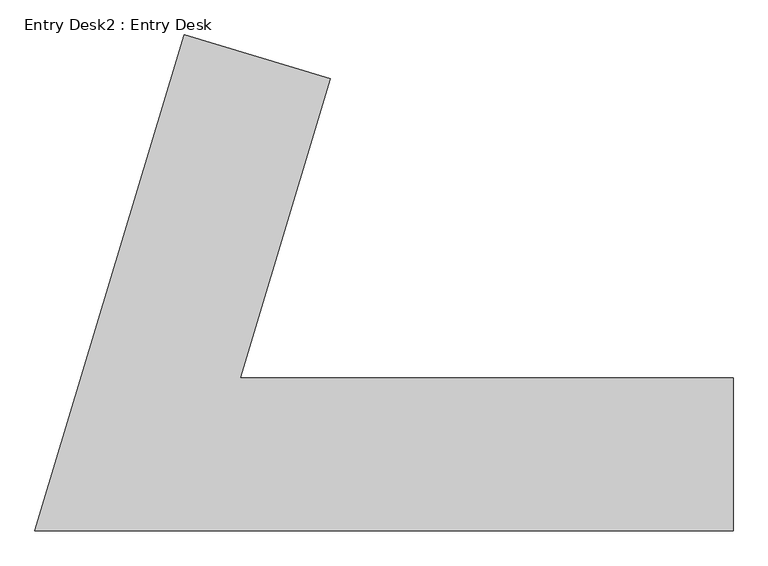
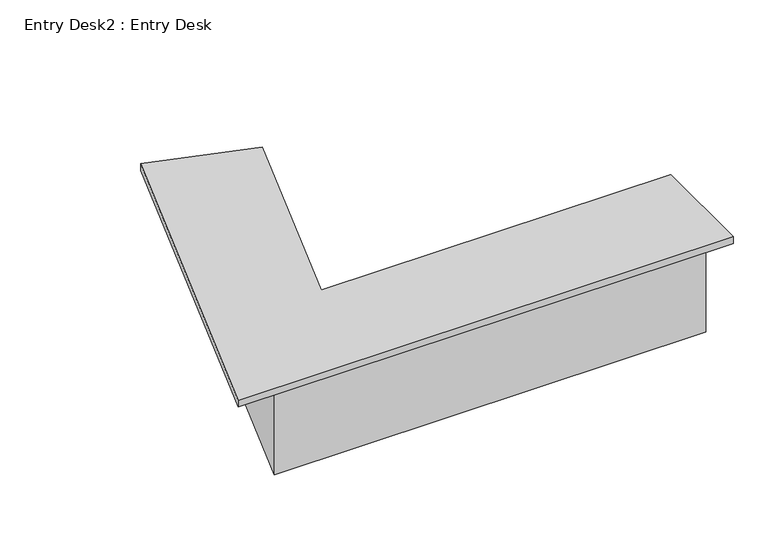
"""IFC4 building model written with IfcOpenShell, lengths in millimetres: furniture geometry, Entry Desk2 : Entry Desk."""

from ifc_helpers import new_model, si_unit, frame, origin, origin_with_axes, place, context, project, spatial, polyline, outline, extrude, source, transform, mapped, element, save


def entry_desk2_entry_desk_23665fa5(model_context):
    return source(origin(), model_context, "Body", "SweptSolid", [
        extrude(outline(polyline([(197713.8265771, -332302.6580223), (200339.1129676, -332302.6580223), (200339.1129676, -332607.4580223), (197303.9386528, -332607.4580223), (197881.9356194, -330684.5151458), (198200.2069504, -330684.5151458), (197713.8265771, -332302.6580223)])), origin_with_axes(), (0.0, 0.0, 1.0), 863.6),
        extrude(outline(polyline([(196855.6237356, -332940.8330223), (197599.7575185, -330465.168201), (198329.5046787, -330684.5151458), (197880.3435464, -332178.8330223), (200339.1129676, -332178.8330223), (200339.1129676, -332940.8330223), (196855.6237356, -332940.8330223)])), frame((0.0, 0.0, 863.6), z_axis=(0.0, 0.0, 1.0), x_axis=(1.0, 0.0, 0.0)), (0.0, 0.0, 1.0), 50.8),
    ])


if __name__ == "__main__":
    model = new_model("IFC4")
    model_context = context("Model", 3, world=origin())
    ifc_project = project(units=[si_unit("LENGTHUNIT", "METRE", prefix="MILLI")], contexts=[model_context])
    site = spatial("IfcSite", under=ifc_project)
    building = spatial("IfcBuilding", under=site)
    placement = place(None, origin())
    entry_desk2_entry_desk_shape = entry_desk2_entry_desk_23665fa5(model_context)
    element("IfcFurniture", 1, ObjectType="Entry Desk2 : Entry Desk", at=placement, inside=building, context=model_context, shape_type="MappedRepresentation", body=[
        mapped(entry_desk2_entry_desk_shape, transform((0.0, 0.0, 0.0), x_axis=(1.0, 0.0, 0.0), y_axis=(0.0, 1.0, 0.0), z_axis=(0.0, 0.0, 1.0))),
    ])
    save(model, "model.ifc")
